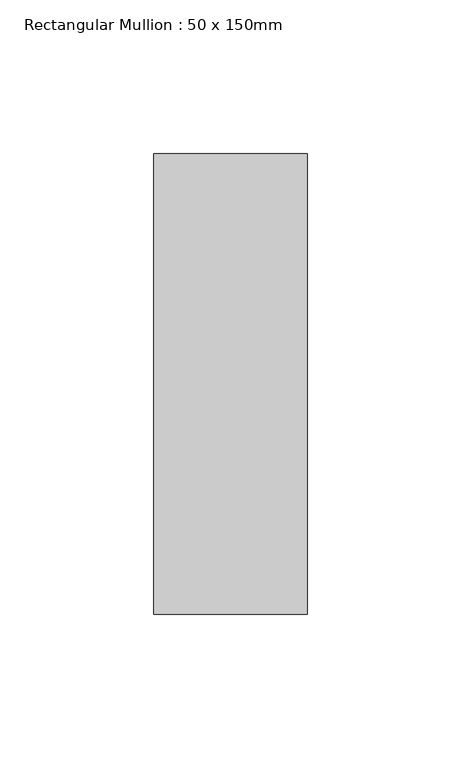
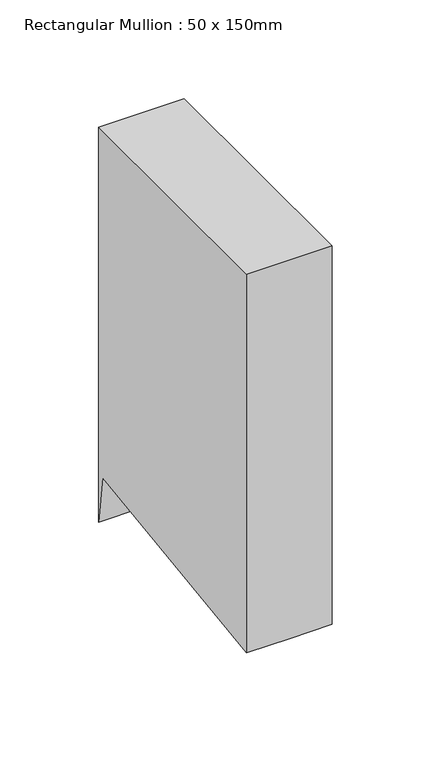
"""IFC4 building model written with IfcOpenShell, lengths in millimetres: member geometry, Rectangular Mullion : 50 x 150mm."""

from ifc_helpers import new_model, si_unit, origin, place, context, project, spatial, faceted_brep, source, transform, mapped, element, save


def rectangular_mullion_50_x_150mm_98a0b40f(model_context):
    return source(origin(), model_context, "Body", "Brep", [
        faceted_brep([(25.0, 75.0, 0.0), (-25.0, 75.0, 0.0), (-25.0, -75.0, 0.0), (25.0, -75.0, 0.0), (25.0, 75.0, -244.1706206), (0.0, 75.0, -244.1706206), (-25.0, 75.0, -244.1706206), (-25.0, 71.0328341, -214.4506495), (-25.0, -75.0, -233.9438204), (0.0, -75.0, -233.9438204), (25.0, -75.0, -233.9438204), (25.0, 71.0328341, -214.4506495), (0.0, 71.0328341, -214.4506495)], [[[0, 1, 2, 3]], [[1, 0, 4, 5, 6]], [[2, 1, 6, 7, 8]], [[3, 2, 8, 9, 10]], [[0, 3, 10, 11, 4]], [[4, 11, 12, 5]], [[11, 10, 9, 12]], [[9, 8, 7, 12]], [[7, 6, 5, 12]]]),
    ])


if __name__ == "__main__":
    model = new_model("IFC4")
    model_context = context("Model", 3, world=origin())
    ifc_project = project(units=[si_unit("LENGTHUNIT", "METRE", prefix="MILLI")], contexts=[model_context])
    site = spatial("IfcSite", under=ifc_project)
    building = spatial("IfcBuilding", under=site)
    placement = place(None, origin())
    rectangular_mullion_50_x_150mm_shape = rectangular_mullion_50_x_150mm_98a0b40f(model_context)
    element("IfcMember", 1, ObjectType="Rectangular Mullion : 50 x 150mm", at=placement, inside=building, context=model_context, shape_type="MappedRepresentation", body=[
        mapped(rectangular_mullion_50_x_150mm_shape, transform((0.0, 0.0, 0.0), x_axis=(1.0, 0.0, 0.0), y_axis=(0.0, 1.0, 0.0), z_axis=(0.0, 0.0, 1.0))),
    ])
    save(model, "model.ifc")
